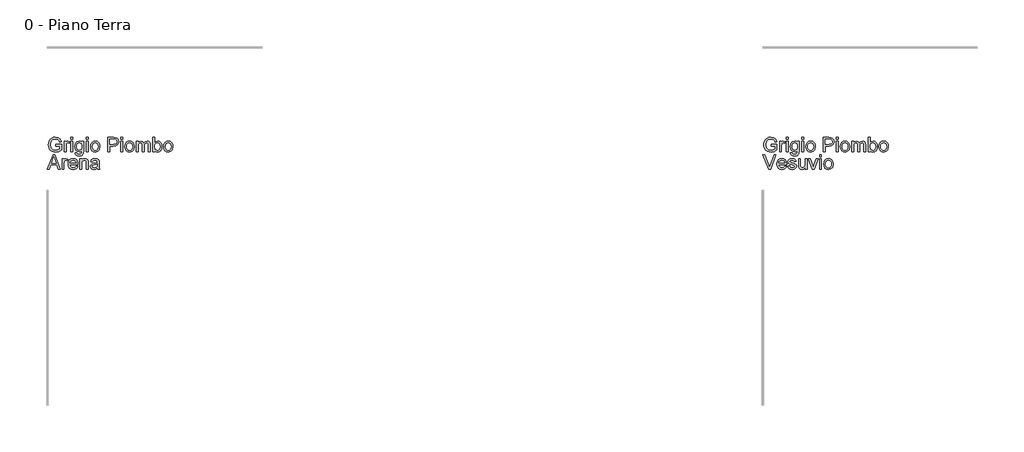
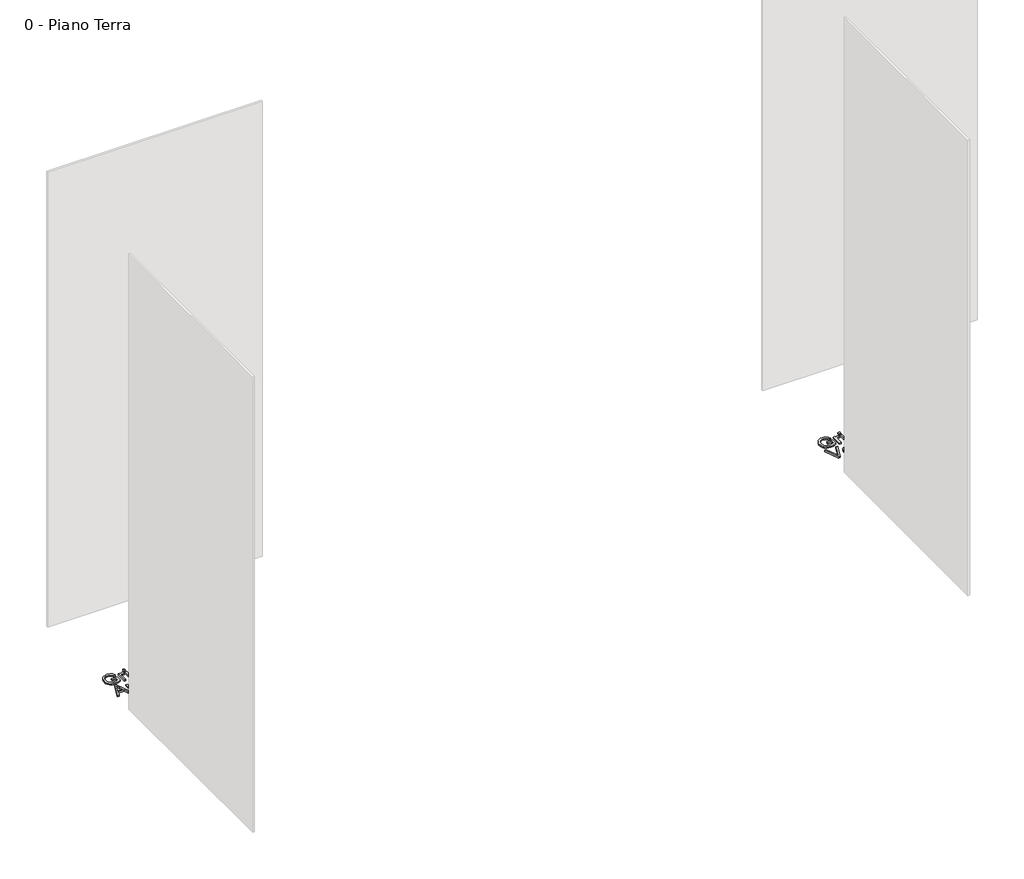
# One storey, part 8 of 35: 2 proxies.
"""IFC4 building model written with IfcOpenShell, lengths in millimetres."""

from ifc_helpers import new_model, si_unit, origin, origin_with_axes, place, context, project, spatial, polyline, outline, extrude, element, save

model = new_model("IFC4")

# Units and contexts
model_context = context("Model", 3, world=origin())
ifc_project = project(units=[si_unit("LENGTHUNIT", "METRE", prefix="MILLI")], contexts=[model_context])

# Site, building, storey
site = spatial("IfcSite", under=ifc_project)
building = spatial("IfcBuilding", under=site)
storey = spatial("IfcBuildingStorey", under=building, Name="0 - Piano Terra", Elevation=0.0)

# Proxies
placement = place(None, origin())
element("IfcBuildingElementProxy", 1, Name="Testo modello 1", ObjectType="Testo modello 1", at=placement, inside=storey, context=model_context, shape_type="SweptSolid", body=[
    extrude(outline(polyline([(-7221.1818555, -42234.518489), (-7221.1818555, -42221.9614502), (-7180.3714795, -42221.9614502), (-7180.3714795, -42259.5099392), (-7200.5191501, -42271.3557394), (-7221.8195177, -42275.328865), (-7235.9063324, -42273.7500381), (-7248.6381151, -42269.0135574), (-7259.2147225, -42261.2849698), (-7266.8360111, -42250.7298223), (-7271.4437331, -42238.0685503), (-7272.9796405, -42224.0215894), (-7271.4498645, -42209.873461), (-7266.8605366, -42196.7124826), (-7259.4017292, -42185.6729571), (-7249.2635145, -42177.8891872), (-7236.9149422, -42173.2722682), (-7222.8250618, -42171.7332952), (-7203.1801632, -42175.3017505), (-7189.4091139, -42185.2345644), (-7181.8184821, -42201.8505678), (-7193.3945022, -42205.1124549), (-7199.1211986, -42193.4996465), (-7208.9068596, -42186.8041942), (-7223.0212655, -42184.2903339), (-7239.0977087, -42187.000398), (-7250.0360667, -42194.1127832), (-7256.4985271, -42203.7880797), (-7260.4226017, -42223.5065546), (-7255.7014494, -42245.3955333), (-7241.9671883, -42258.4921324), (-7222.8250618, -42262.7718262), (-7205.6449726, -42259.5467274), (-7192.9285183, -42252.6673341), (-7192.9285183, -42234.518489), (-7221.1818555, -42234.518489)])), origin_with_axes(), (0.0, 0.0, 1.0), 10.0),
    extrude(outline(polyline([(-7161.5359214, -42273.7592352), (-7161.5359214, -42199.9866324), (-7150.5485125, -42199.9866324), (-7150.5485125, -42210.9004649), (-7142.7494142, -42200.8450237), (-7134.9012649, -42198.4170025), (-7122.2951752, -42202.2920262), (-7126.48903, -42213.5492153), (-7135.3181979, -42210.9740413), (-7142.4183204, -42213.4511134), (-7146.9432689, -42220.318244), (-7148.9788826, -42234.9844729), (-7148.9788826, -42273.7592352), (-7161.5359214, -42273.7592352)])), origin_with_axes(), (0.0, 0.0, 1.0), 10.0),
    extrude(outline(polyline([(-7114.447026, -42185.8599638), (-7114.447026, -42173.302925), (-7101.8899872, -42173.302925), (-7101.8899872, -42185.8599638), (-7114.447026, -42185.8599638)])), origin_with_axes(), (0.0, 0.0, 1.0), 10.0),
    extrude(outline(polyline([(-7114.447026, -42273.7592352), (-7114.447026, -42199.9866324), (-7101.8899872, -42199.9866324), (-7101.8899872, -42273.7592352), (-7114.447026, -42273.7592352)])), origin_with_axes(), (0.0, 0.0, 1.0), 10.0),
    extrude(outline(polyline([(-7086.1936888, -42280.0377545), (-7073.63665, -42281.6073844), (-7069.5654226, -42288.2292603), (-7057.3762658, -42291.0251635), (-7044.5249215, -42287.8613783), (-7038.3935549, -42278.9831595), (-7037.5351635, -42264.3414561), (-7046.3765942, -42271.4047904), (-7057.1555366, -42273.7592352), (-7070.1019172, -42271.0185143), (-7079.7557539, -42262.7963517), (-7085.7614274, -42250.742085), (-7087.7633186, -42236.5050518), (-7084.1703378, -42217.0440942), (-7073.7715401, -42203.2730449), (-7057.7686733, -42198.4170025), (-7046.5666665, -42201.1638548), (-7037.5351635, -42209.4044115), (-7037.5351635, -42199.9866324), (-7024.9781248, -42199.9866324), (-7024.9781248, -42263.6792685), (-7028.4116901, -42288.0698448), (-7039.2887344, -42299.4128729), (-7057.6215205, -42303.5822022), (-7069.3048395, -42302.1137399), (-7078.5049551, -42297.708353), (-7084.4063954, -42290.3537788), (-7086.1936888, -42280.0377545)]), holes=[polyline([(-7075.2062799, -42235.6466605), (-7073.8665763, -42247.1644326), (-7069.8474655, -42255.0830925), (-7063.8050037, -42259.6724204), (-7056.3952472, -42261.2021964), (-7049.0406729, -42259.6816175), (-7042.9675543, -42255.1198807), (-7038.8932612, -42247.3023883), (-7037.5351635, -42236.0145424), (-7038.9331151, -42225.1283011), (-7043.1269699, -42217.2893489), (-7049.2889933, -42212.5528682), (-7056.5914509, -42210.9740413), (-7063.7620841, -42212.5283427), (-7069.7738891, -42217.191247), (-7073.8481822, -42224.9137032), (-7075.2062799, -42235.6466605)])]), origin_with_axes(), (0.0, 0.0, 1.0), 10.0),
    extrude(outline(polyline([(-7006.1425666, -42185.8599638), (-7006.1425666, -42173.302925), (-6993.5855279, -42173.302925), (-6993.5855279, -42185.8599638), (-7006.1425666, -42185.8599638)])), origin_with_axes(), (0.0, 0.0, 1.0), 10.0),
    extrude(outline(polyline([(-7006.1425666, -42273.7592352), (-7006.1425666, -42199.9866324), (-6993.5855279, -42199.9866324), (-6993.5855279, -42273.7592352), (-7006.1425666, -42273.7592352)])), origin_with_axes(), (0.0, 0.0, 1.0), 10.0),
    extrude(outline(polyline([(-6977.8892294, -42236.8729338), (-6975.173034, -42219.0858393), (-6967.0244478, -42206.5839828), (-6956.9567439, -42200.4587476), (-6944.9024772, -42198.4170025), (-6931.710842, -42200.9032717), (-6921.1740885, -42208.3620791), (-6914.267104, -42220.2048137), (-6911.9647759, -42235.8428642), (-6916.0360033, -42258.185564), (-6927.8940663, -42270.8284419), (-6944.9024772, -42275.328865), (-6958.2535279, -42272.8517929), (-6968.7780187, -42265.4205766), (-6975.6114267, -42253.3295217), (-6977.8892294, -42236.8729338)]), holes=[polyline([(-6965.3321906, -42236.8484083), (-6963.8790567, -42248.2128963), (-6959.5196551, -42256.3093658), (-6952.9590929, -42261.1562111), (-6944.9024772, -42262.7718262), (-6936.8826497, -42261.1470141), (-6930.3343502, -42256.2725776), (-6925.9749485, -42248.0688092), (-6924.5218146, -42236.4560008), (-6925.9841456, -42225.4226067), (-6930.3711384, -42217.4365017), (-6936.9286349, -42212.5896564), (-6944.9024772, -42210.9740413), (-6952.9590929, -42212.583525), (-6959.5196551, -42217.4119762), (-6963.8790567, -42225.4900517), (-6965.3321906, -42236.8484083)])]), origin_with_axes(), (0.0, 0.0, 1.0), 10.0),
    extrude(outline(polyline([(-6857.0277312, -42273.7592352), (-6857.0277312, -42173.302925), (-6819.7980733, -42173.302925), (-6804.7884879, -42174.2594182), (-6792.5870684, -42178.956045), (-6784.6776055, -42188.6681297), (-6781.6854986, -42202.3656026), (-6783.7057839, -42214.2052715), (-6789.7666398, -42224.0706403), (-6801.1004709, -42230.7293044), (-6818.939682, -42232.9488592), (-6844.4706925, -42232.9488592), (-6844.4706925, -42273.7592352), (-6857.0277312, -42273.7592352)]), holes=[polyline([(-6844.4706925, -42220.3918204), (-6818.203918, -42220.3918204), (-6799.7117164, -42215.7810327), (-6795.6098322, -42210.232146), (-6794.2425374, -42202.807061), (-6797.4676362, -42192.4082633), (-6805.9411849, -42186.7183551), (-6818.4982236, -42185.8599638), (-6844.4706925, -42185.8599638), (-6844.4706925, -42220.3918204)])]), origin_with_axes(), (0.0, 0.0, 1.0), 10.0),
    extrude(outline(polyline([(-6765.9892002, -42185.8599638), (-6765.9892002, -42173.302925), (-6753.4321614, -42173.302925), (-6753.4321614, -42185.8599638), (-6765.9892002, -42185.8599638)])), origin_with_axes(), (0.0, 0.0, 1.0), 10.0),
    extrude(outline(polyline([(-6765.9892002, -42273.7592352), (-6765.9892002, -42199.9866324), (-6753.4321614, -42199.9866324), (-6753.4321614, -42273.7592352), (-6765.9892002, -42273.7592352)])), origin_with_axes(), (0.0, 0.0, 1.0), 10.0),
    extrude(outline(polyline([(-6737.7358629, -42236.8729338), (-6735.0196675, -42219.0858393), (-6726.8710814, -42206.5839828), (-6716.8033774, -42200.4587476), (-6704.7491107, -42198.4170025), (-6691.5574755, -42200.9032717), (-6681.020722, -42208.3620791), (-6674.1137376, -42220.2048137), (-6671.8114094, -42235.8428642), (-6675.8826368, -42258.185564), (-6687.7406998, -42270.8284419), (-6704.7491107, -42275.328865), (-6718.1001615, -42272.8517929), (-6728.6246522, -42265.4205766), (-6735.4580603, -42253.3295217), (-6737.7358629, -42236.8729338)]), holes=[polyline([(-6725.1788242, -42236.8484083), (-6723.7256903, -42248.2128963), (-6719.3662887, -42256.3093658), (-6712.8057264, -42261.1562111), (-6704.7491107, -42262.7718262), (-6696.7292832, -42261.1470141), (-6690.1809837, -42256.2725776), (-6685.8215821, -42248.0688092), (-6684.3684482, -42236.4560008), (-6685.8307791, -42225.4226067), (-6690.2177719, -42217.4365017), (-6696.7752685, -42212.5896564), (-6704.7491107, -42210.9740413), (-6712.8057264, -42212.583525), (-6719.3662887, -42217.4119762), (-6723.7256903, -42225.4900517), (-6725.1788242, -42236.8484083)])]), origin_with_axes(), (0.0, 0.0, 1.0), 10.0),
    extrude(outline(polyline([(-6657.6847408, -42273.7592352), (-6657.6847408, -42199.9866324), (-6645.127702, -42199.9866324), (-6645.127702, -42212.1267382), (-6636.4947379, -42202.1816616), (-6624.2074792, -42198.4170025), (-6611.625915, -42202.255238), (-6604.7097335, -42213.009655), (-6594.9118097, -42202.0651657), (-6582.5387119, -42198.4170025), (-6573.0994731, -42199.9345158), (-6566.1189122, -42204.4870555), (-6561.8054958, -42212.1972489), (-6560.3676903, -42223.1877235), (-6560.3676903, -42273.7592352), (-6572.9247291, -42273.7592352), (-6572.9247291, -42228.5833261), (-6574.0896888, -42218.0986893), (-6578.308069, -42212.9360786), (-6585.4817679, -42210.9740413), (-6597.8303402, -42216.0017619), (-6601.5183572, -42222.5439301), (-6602.7476962, -42232.1149933), (-6602.7476962, -42273.7592352), (-6615.304735, -42273.7592352), (-6615.304735, -42227.1853746), (-6618.2110027, -42215.0207433), (-6627.7391464, -42210.9740413), (-6637.0342981, -42213.6718426), (-6643.2147157, -42221.5690428), (-6645.127702, -42236.5541027), (-6645.127702, -42273.7592352), (-6657.6847408, -42273.7592352)])), origin_with_axes(), (0.0, 0.0, 1.0), 10.0),
    extrude(outline(polyline([(-6528.9750934, -42273.7592352), (-6541.5321322, -42273.7592352), (-6541.5321322, -42173.302925), (-6528.9750934, -42173.302925), (-6528.9750934, -42210.5571084), (-6520.1827137, -42201.452029), (-6509.2566185, -42198.4170025), (-6496.6750542, -42201.151592), (-6486.9139186, -42208.8403257), (-6480.9174421, -42220.7964906), (-6478.7469383, -42235.7692878), (-6480.9940842, -42252.532444), (-6487.7355218, -42265.0036437), (-6497.6284817, -42272.7475597), (-6509.3301949, -42275.328865), (-6520.4954134, -42271.9995329), (-6528.9750934, -42262.0115368), (-6528.9750934, -42273.7592352)]), holes=[polyline([(-6528.9750934, -42236.357899), (-6525.5415281, -42253.9181329), (-6518.9625718, -42260.5584029), (-6510.4093154, -42262.7718262), (-6503.1620401, -42261.1408827), (-6496.9693598, -42256.2480522), (-6492.7203228, -42248.1239915), (-6491.3039771, -42236.7993574), (-6492.6620748, -42225.3091764), (-6496.7363679, -42217.2770862), (-6502.7359101, -42212.5498025), (-6509.8697551, -42210.9740413), (-6517.1170304, -42212.6049848), (-6523.3097107, -42217.4978154), (-6527.5587477, -42225.4747233), (-6528.9750934, -42236.357899)])]), origin_with_axes(), (0.0, 0.0, 1.0), 10.0),
    extrude(outline(polyline([(-6467.7595294, -42236.8729338), (-6465.043334, -42219.0858393), (-6456.8947478, -42206.5839828), (-6446.8270439, -42200.4587476), (-6434.7727772, -42198.4170025), (-6421.581142, -42200.9032717), (-6411.0443885, -42208.3620791), (-6404.137404, -42220.2048137), (-6401.8350759, -42235.8428642), (-6405.9063033, -42258.185564), (-6417.7643663, -42270.8284419), (-6434.7727772, -42275.328865), (-6448.1238279, -42272.8517929), (-6458.6483187, -42265.4205766), (-6465.4817267, -42253.3295217), (-6467.7595294, -42236.8729338)]), holes=[polyline([(-6455.2024907, -42236.8484083), (-6453.7493568, -42248.2128963), (-6449.3899551, -42256.3093658), (-6442.8293929, -42261.1562111), (-6434.7727772, -42262.7718262), (-6426.7529497, -42261.1470141), (-6420.2046502, -42256.2725776), (-6415.8452485, -42248.0688092), (-6414.3921147, -42236.4560008), (-6415.8544456, -42225.4226067), (-6420.2414384, -42217.4365017), (-6426.7989349, -42212.5896564), (-6434.7727772, -42210.9740413), (-6442.8293929, -42212.583525), (-6449.3899551, -42217.4119762), (-6453.7493568, -42225.4900517), (-6455.2024907, -42236.8484083)])]), origin_with_axes(), (0.0, 0.0, 1.0), 10.0),
    extrude(outline(polyline([(-7238.5949366, -42395.734053), (-7278.5714468, -42295.2777428), (-7265.1314912, -42295.2777428), (-7238.3742074, -42367.652394), (-7232.9540794, -42383.9618292), (-7227.6075277, -42367.652394), (-7200.7766675, -42295.2777428), (-7187.336712, -42295.2777428), (-7225.620965, -42395.734053), (-7238.5949366, -42395.734053)])), origin_with_axes(), (0.0, 0.0, 1.0), 10.0),
    extrude(outline(polyline([(-7125.5815877, -42373.7592352), (-7113.2698036, -42375.328865), (-7117.7058473, -42384.6056226), (-7124.7845101, -42391.5401983), (-7134.3463763, -42395.8628117), (-7146.2320304, -42397.3036828), (-7160.9657043, -42394.8174137), (-7172.3026011, -42387.3586062), (-7179.5314823, -42375.4116384), (-7181.9411094, -42359.4608883), (-7179.5069569, -42342.9736435), (-7172.2044993, -42330.6434653), (-7161.0208866, -42322.9547316), (-7146.9432689, -42320.3918204), (-7133.3040439, -42322.9486003), (-7122.4055398, -42330.6189399), (-7115.2594321, -42342.9245926), (-7112.8773962, -42359.3873119), (-7112.9509726, -42362.7718262), (-7169.3840706, -42362.7718262), (-7167.2105012, -42372.1712112), (-7162.1613208, -42379.0812613), (-7154.8741916, -42383.3302984), (-7145.9867757, -42384.7466441), (-7133.6749916, -42382.1224192), (-7125.5815877, -42373.7592352)]), holes=[polyline([(-7169.3840706, -42350.2147875), (-7125.4344349, -42350.2147875), (-7130.4621555, -42338.8349711), (-7137.7830072, -42334.4203871), (-7146.9923198, -42332.9488592), (-7162.4556264, -42337.645486), (-7167.3208658, -42343.1361247), (-7169.3840706, -42350.2147875)])]), origin_with_axes(), (0.0, 0.0, 1.0), 10.0),
    extrude(outline(polyline([(-7105.0292469, -42373.7592352), (-7092.4722082, -42372.1896053), (-7086.6596726, -42381.5092825), (-7073.3423444, -42384.7466441), (-7060.540051, -42381.7790626), (-7056.3707217, -42374.8138302), (-7060.5645764, -42369.1729729), (-7073.4894972, -42365.5922549), (-7092.3986318, -42359.4486255), (-7100.6514512, -42352.2749266), (-7103.4596171, -42342.145909), (-7101.2032742, -42332.7894436), (-7095.0473821, -42325.6402702), (-7087.0643428, -42321.924662), (-7076.2608749, -42320.3918204), (-7060.9815094, -42322.8566298), (-7051.2694247, -42329.5275566), (-7046.9529426, -42340.7970084), (-7059.5099814, -42342.3666382), (-7064.2311337, -42335.438194), (-7075.2798563, -42332.9488592), (-7087.2973348, -42335.3278294), (-7090.9025783, -42340.8705848), (-7089.4065249, -42344.5248793), (-7084.7221608, -42347.296257), (-7073.9064301, -42349.9695328), (-7055.4755422, -42355.8801702), (-7046.9161544, -42362.5756225), (-7043.8136829, -42373.489455), (-7047.4557147, -42385.5069335), (-7057.964877, -42394.2257368), (-7073.5140227, -42397.3036828), (-7086.1752947, -42395.8198921), (-7095.4152641, -42391.36852), (-7101.5834189, -42383.9986174), (-7105.0292469, -42373.7592352)])), origin_with_axes(), (0.0, 0.0, 1.0), 10.0),
    extrude(outline(polyline([(-6982.5981189, -42395.734053), (-6982.5981189, -42383.0543869), (-6992.4328309, -42393.7413589), (-7005.2596498, -42397.3036828), (-7017.0686619, -42394.8020853), (-7025.2111167, -42388.5235659), (-7028.9512503, -42379.2774651), (-7029.6870143, -42367.6033431), (-7029.6870143, -42321.9614502), (-7017.1299756, -42321.9614502), (-7017.1299756, -42361.6927057), (-7016.3696861, -42374.4949991), (-7011.4032792, -42382.0120546), (-7002.0468137, -42384.7466441), (-6991.5621769, -42381.9507409), (-6984.6337326, -42374.3355836), (-6982.5981189, -42360.3438051), (-6982.5981189, -42321.9614502), (-6970.0410802, -42321.9614502), (-6970.0410802, -42395.734053), (-6982.5981189, -42395.734053)])), origin_with_axes(), (0.0, 0.0, 1.0), 10.0),
    extrude(outline(polyline([(-6934.6753577, -42395.734053), (-6960.6233011, -42321.9614502), (-6947.3304983, -42321.9614502), (-6931.6096744, -42366.1563406), (-6926.8762594, -42381.0187732), (-6922.2409463, -42366.9902064), (-6906.4220205, -42321.9614502), (-6893.1292177, -42321.9614502), (-6918.75833, -42395.734053), (-6934.6753577, -42395.734053)])), origin_with_axes(), (0.0, 0.0, 1.0), 10.0),
    extrude(outline(polyline([(-6882.1418088, -42307.8347816), (-6882.1418088, -42295.2777428), (-6869.58477, -42295.2777428), (-6869.58477, -42307.8347816), (-6882.1418088, -42307.8347816)])), origin_with_axes(), (0.0, 0.0, 1.0), 10.0),
    extrude(outline(polyline([(-6882.1418088, -42395.734053), (-6882.1418088, -42321.9614502), (-6869.58477, -42321.9614502), (-6869.58477, -42395.734053), (-6882.1418088, -42395.734053)])), origin_with_axes(), (0.0, 0.0, 1.0), 10.0),
    extrude(outline(polyline([(-6853.8884716, -42358.8477516), (-6851.1722762, -42341.0606571), (-6843.02369, -42328.5588007), (-6832.955986, -42322.4335655), (-6820.9017193, -42320.3918204), (-6807.7100841, -42322.8780895), (-6797.1733306, -42330.336897), (-6790.2663462, -42342.1796315), (-6787.964018, -42357.817682), (-6792.0352454, -42380.1603819), (-6803.8933084, -42392.8032598), (-6820.9017193, -42397.3036828), (-6834.2527701, -42394.8266107), (-6844.7772608, -42387.3953944), (-6851.6106689, -42375.3043395), (-6853.8884716, -42358.8477516)]), holes=[polyline([(-6841.3314328, -42358.8232261), (-6839.8782989, -42370.1877141), (-6835.5188973, -42378.2841837), (-6828.958335, -42383.131029), (-6820.9017193, -42384.7466441), (-6812.8818918, -42383.1218319), (-6806.3335923, -42378.2473955), (-6801.9741907, -42370.043627), (-6800.5210568, -42358.4308187), (-6801.9833877, -42347.3974245), (-6806.3703805, -42339.4113195), (-6812.9278771, -42334.5644742), (-6820.9017193, -42332.9488592), (-6828.958335, -42334.5583429), (-6835.5188973, -42339.3867941), (-6839.8782989, -42347.4648695), (-6841.3314328, -42358.8232261)])]), origin_with_axes(), (0.0, 0.0, 1.0), 10.0),
])
element("IfcBuildingElementProxy", 2, Name="Testo modello 1", ObjectType="Testo modello 1", at=placement, inside=storey, context=model_context, shape_type="SweptSolid", body=[
    extrude(outline(polyline([(-12221.1818555, -42234.518489), (-12221.1818555, -42221.9614502), (-12180.3714795, -42221.9614502), (-12180.3714795, -42259.5099392), (-12200.5191501, -42271.3557394), (-12221.8195177, -42275.328865), (-12235.9063324, -42273.7500381), (-12248.6381151, -42269.0135574), (-12259.2147225, -42261.2849698), (-12266.8360111, -42250.7298223), (-12271.4437331, -42238.0685503), (-12272.9796405, -42224.0215894), (-12271.4498645, -42209.873461), (-12266.8605366, -42196.7124826), (-12259.4017292, -42185.6729571), (-12249.2635145, -42177.8891872), (-12236.9149422, -42173.2722682), (-12222.8250618, -42171.7332952), (-12203.1801632, -42175.3017505), (-12189.4091139, -42185.2345644), (-12181.8184821, -42201.8505678), (-12193.3945022, -42205.1124549), (-12199.1211986, -42193.4996465), (-12208.9068596, -42186.8041942), (-12223.0212655, -42184.2903339), (-12239.0977087, -42187.000398), (-12250.0360667, -42194.1127832), (-12256.4985271, -42203.7880797), (-12260.4226017, -42223.5065546), (-12255.7014494, -42245.3955333), (-12241.9671883, -42258.4921324), (-12222.8250618, -42262.7718262), (-12205.6449726, -42259.5467274), (-12192.9285183, -42252.6673341), (-12192.9285183, -42234.518489), (-12221.1818555, -42234.518489)])), origin_with_axes(), (0.0, 0.0, 1.0), 10.0),
    extrude(outline(polyline([(-12161.5359214, -42273.7592352), (-12161.5359214, -42199.9866324), (-12150.5485125, -42199.9866324), (-12150.5485125, -42210.9004649), (-12142.7494142, -42200.8450237), (-12134.9012649, -42198.4170025), (-12122.2951752, -42202.2920262), (-12126.48903, -42213.5492153), (-12135.3181979, -42210.9740413), (-12142.4183204, -42213.4511134), (-12146.9432689, -42220.318244), (-12148.9788826, -42234.9844729), (-12148.9788826, -42273.7592352), (-12161.5359214, -42273.7592352)])), origin_with_axes(), (0.0, 0.0, 1.0), 10.0),
    extrude(outline(polyline([(-12114.447026, -42185.8599638), (-12114.447026, -42173.302925), (-12101.8899872, -42173.302925), (-12101.8899872, -42185.8599638), (-12114.447026, -42185.8599638)])), origin_with_axes(), (0.0, 0.0, 1.0), 10.0),
    extrude(outline(polyline([(-12114.447026, -42273.7592352), (-12114.447026, -42199.9866324), (-12101.8899872, -42199.9866324), (-12101.8899872, -42273.7592352), (-12114.447026, -42273.7592352)])), origin_with_axes(), (0.0, 0.0, 1.0), 10.0),
    extrude(outline(polyline([(-12086.1936888, -42280.0377545), (-12073.63665, -42281.6073844), (-12069.5654226, -42288.2292603), (-12057.3762658, -42291.0251635), (-12044.5249215, -42287.8613783), (-12038.3935549, -42278.9831595), (-12037.5351635, -42264.3414561), (-12046.3765942, -42271.4047904), (-12057.1555366, -42273.7592352), (-12070.1019172, -42271.0185143), (-12079.7557539, -42262.7963517), (-12085.7614274, -42250.742085), (-12087.7633186, -42236.5050518), (-12084.1703378, -42217.0440942), (-12073.7715401, -42203.2730449), (-12057.7686733, -42198.4170025), (-12046.5666665, -42201.1638548), (-12037.5351635, -42209.4044115), (-12037.5351635, -42199.9866324), (-12024.9781248, -42199.9866324), (-12024.9781248, -42263.6792685), (-12028.4116901, -42288.0698448), (-12039.2887344, -42299.4128729), (-12057.6215205, -42303.5822022), (-12069.3048395, -42302.1137399), (-12078.5049551, -42297.708353), (-12084.4063954, -42290.3537788), (-12086.1936888, -42280.0377545)]), holes=[polyline([(-12075.2062799, -42235.6466605), (-12073.8665763, -42247.1644326), (-12069.8474655, -42255.0830925), (-12063.8050037, -42259.6724204), (-12056.3952472, -42261.2021964), (-12049.0406729, -42259.6816175), (-12042.9675543, -42255.1198807), (-12038.8932612, -42247.3023883), (-12037.5351635, -42236.0145424), (-12038.9331151, -42225.1283011), (-12043.1269699, -42217.2893489), (-12049.2889933, -42212.5528682), (-12056.5914509, -42210.9740413), (-12063.7620841, -42212.5283427), (-12069.7738891, -42217.191247), (-12073.8481822, -42224.9137032), (-12075.2062799, -42235.6466605)])]), origin_with_axes(), (0.0, 0.0, 1.0), 10.0),
    extrude(outline(polyline([(-12006.1425666, -42185.8599638), (-12006.1425666, -42173.302925), (-11993.5855279, -42173.302925), (-11993.5855279, -42185.8599638), (-12006.1425666, -42185.8599638)])), origin_with_axes(), (0.0, 0.0, 1.0), 10.0),
    extrude(outline(polyline([(-12006.1425666, -42273.7592352), (-12006.1425666, -42199.9866324), (-11993.5855279, -42199.9866324), (-11993.5855279, -42273.7592352), (-12006.1425666, -42273.7592352)])), origin_with_axes(), (0.0, 0.0, 1.0), 10.0),
    extrude(outline(polyline([(-11977.8892294, -42236.8729338), (-11975.173034, -42219.0858393), (-11967.0244478, -42206.5839828), (-11956.9567439, -42200.4587476), (-11944.9024772, -42198.4170025), (-11931.710842, -42200.9032717), (-11921.1740885, -42208.3620791), (-11914.267104, -42220.2048137), (-11911.9647759, -42235.8428642), (-11916.0360033, -42258.185564), (-11927.8940663, -42270.8284419), (-11944.9024772, -42275.328865), (-11958.2535279, -42272.8517929), (-11968.7780187, -42265.4205766), (-11975.6114267, -42253.3295217), (-11977.8892294, -42236.8729338)]), holes=[polyline([(-11965.3321906, -42236.8484083), (-11963.8790567, -42248.2128963), (-11959.5196551, -42256.3093658), (-11952.9590929, -42261.1562111), (-11944.9024772, -42262.7718262), (-11936.8826497, -42261.1470141), (-11930.3343502, -42256.2725776), (-11925.9749485, -42248.0688092), (-11924.5218146, -42236.4560008), (-11925.9841456, -42225.4226067), (-11930.3711384, -42217.4365017), (-11936.9286349, -42212.5896564), (-11944.9024772, -42210.9740413), (-11952.9590929, -42212.583525), (-11959.5196551, -42217.4119762), (-11963.8790567, -42225.4900517), (-11965.3321906, -42236.8484083)])]), origin_with_axes(), (0.0, 0.0, 1.0), 10.0),
    extrude(outline(polyline([(-11857.0277312, -42273.7592352), (-11857.0277312, -42173.302925), (-11819.7980733, -42173.302925), (-11804.7884879, -42174.2594182), (-11792.5870684, -42178.956045), (-11784.6776055, -42188.6681297), (-11781.6854986, -42202.3656026), (-11783.7057839, -42214.2052715), (-11789.7666398, -42224.0706403), (-11801.1004709, -42230.7293044), (-11818.939682, -42232.9488592), (-11844.4706925, -42232.9488592), (-11844.4706925, -42273.7592352), (-11857.0277312, -42273.7592352)]), holes=[polyline([(-11844.4706925, -42220.3918204), (-11818.203918, -42220.3918204), (-11799.7117164, -42215.7810327), (-11795.6098322, -42210.232146), (-11794.2425374, -42202.807061), (-11797.4676362, -42192.4082633), (-11805.9411849, -42186.7183551), (-11818.4982236, -42185.8599638), (-11844.4706925, -42185.8599638), (-11844.4706925, -42220.3918204)])]), origin_with_axes(), (0.0, 0.0, 1.0), 10.0),
    extrude(outline(polyline([(-11765.9892002, -42185.8599638), (-11765.9892002, -42173.302925), (-11753.4321614, -42173.302925), (-11753.4321614, -42185.8599638), (-11765.9892002, -42185.8599638)])), origin_with_axes(), (0.0, 0.0, 1.0), 10.0),
    extrude(outline(polyline([(-11765.9892002, -42273.7592352), (-11765.9892002, -42199.9866324), (-11753.4321614, -42199.9866324), (-11753.4321614, -42273.7592352), (-11765.9892002, -42273.7592352)])), origin_with_axes(), (0.0, 0.0, 1.0), 10.0),
    extrude(outline(polyline([(-11737.7358629, -42236.8729338), (-11735.0196675, -42219.0858393), (-11726.8710814, -42206.5839828), (-11716.8033774, -42200.4587476), (-11704.7491107, -42198.4170025), (-11691.5574755, -42200.9032717), (-11681.020722, -42208.3620791), (-11674.1137376, -42220.2048137), (-11671.8114094, -42235.8428642), (-11675.8826368, -42258.185564), (-11687.7406998, -42270.8284419), (-11704.7491107, -42275.328865), (-11718.1001615, -42272.8517929), (-11728.6246522, -42265.4205766), (-11735.4580603, -42253.3295217), (-11737.7358629, -42236.8729338)]), holes=[polyline([(-11725.1788242, -42236.8484083), (-11723.7256903, -42248.2128963), (-11719.3662887, -42256.3093658), (-11712.8057264, -42261.1562111), (-11704.7491107, -42262.7718262), (-11696.7292832, -42261.1470141), (-11690.1809837, -42256.2725776), (-11685.8215821, -42248.0688092), (-11684.3684482, -42236.4560008), (-11685.8307791, -42225.4226067), (-11690.2177719, -42217.4365017), (-11696.7752685, -42212.5896564), (-11704.7491107, -42210.9740413), (-11712.8057264, -42212.583525), (-11719.3662887, -42217.4119762), (-11723.7256903, -42225.4900517), (-11725.1788242, -42236.8484083)])]), origin_with_axes(), (0.0, 0.0, 1.0), 10.0),
    extrude(outline(polyline([(-11657.6847408, -42273.7592352), (-11657.6847408, -42199.9866324), (-11645.127702, -42199.9866324), (-11645.127702, -42212.1267382), (-11636.4947379, -42202.1816616), (-11624.2074792, -42198.4170025), (-11611.625915, -42202.255238), (-11604.7097335, -42213.009655), (-11594.9118097, -42202.0651657), (-11582.5387119, -42198.4170025), (-11573.0994731, -42199.9345158), (-11566.1189122, -42204.4870555), (-11561.8054958, -42212.1972489), (-11560.3676903, -42223.1877235), (-11560.3676903, -42273.7592352), (-11572.9247291, -42273.7592352), (-11572.9247291, -42228.5833261), (-11574.0896888, -42218.0986893), (-11578.308069, -42212.9360786), (-11585.4817679, -42210.9740413), (-11597.8303402, -42216.0017619), (-11601.5183572, -42222.5439301), (-11602.7476962, -42232.1149933), (-11602.7476962, -42273.7592352), (-11615.304735, -42273.7592352), (-11615.304735, -42227.1853746), (-11618.2110027, -42215.0207433), (-11627.7391464, -42210.9740413), (-11637.0342981, -42213.6718426), (-11643.2147157, -42221.5690428), (-11645.127702, -42236.5541027), (-11645.127702, -42273.7592352), (-11657.6847408, -42273.7592352)])), origin_with_axes(), (0.0, 0.0, 1.0), 10.0),
    extrude(outline(polyline([(-11528.9750934, -42273.7592352), (-11541.5321322, -42273.7592352), (-11541.5321322, -42173.302925), (-11528.9750934, -42173.302925), (-11528.9750934, -42210.5571084), (-11520.1827137, -42201.452029), (-11509.2566185, -42198.4170025), (-11496.6750542, -42201.151592), (-11486.9139186, -42208.8403257), (-11480.9174421, -42220.7964906), (-11478.7469383, -42235.7692878), (-11480.9940842, -42252.532444), (-11487.7355218, -42265.0036437), (-11497.6284817, -42272.7475597), (-11509.3301949, -42275.328865), (-11520.4954134, -42271.9995329), (-11528.9750934, -42262.0115368), (-11528.9750934, -42273.7592352)]), holes=[polyline([(-11528.9750934, -42236.357899), (-11525.5415281, -42253.9181329), (-11518.9625718, -42260.5584029), (-11510.4093154, -42262.7718262), (-11503.1620401, -42261.1408827), (-11496.9693598, -42256.2480522), (-11492.7203228, -42248.1239915), (-11491.3039771, -42236.7993574), (-11492.6620748, -42225.3091764), (-11496.7363679, -42217.2770862), (-11502.7359101, -42212.5498025), (-11509.8697551, -42210.9740413), (-11517.1170304, -42212.6049848), (-11523.3097107, -42217.4978154), (-11527.5587477, -42225.4747233), (-11528.9750934, -42236.357899)])]), origin_with_axes(), (0.0, 0.0, 1.0), 10.0),
    extrude(outline(polyline([(-11467.7595294, -42236.8729338), (-11465.043334, -42219.0858393), (-11456.8947478, -42206.5839828), (-11446.8270439, -42200.4587476), (-11434.7727772, -42198.4170025), (-11421.581142, -42200.9032717), (-11411.0443885, -42208.3620791), (-11404.137404, -42220.2048137), (-11401.8350759, -42235.8428642), (-11405.9063033, -42258.185564), (-11417.7643663, -42270.8284419), (-11434.7727772, -42275.328865), (-11448.1238279, -42272.8517929), (-11458.6483187, -42265.4205766), (-11465.4817267, -42253.3295217), (-11467.7595294, -42236.8729338)]), holes=[polyline([(-11455.2024907, -42236.8484083), (-11453.7493568, -42248.2128963), (-11449.3899551, -42256.3093658), (-11442.8293929, -42261.1562111), (-11434.7727772, -42262.7718262), (-11426.7529497, -42261.1470141), (-11420.2046502, -42256.2725776), (-11415.8452485, -42248.0688092), (-11414.3921147, -42236.4560008), (-11415.8544456, -42225.4226067), (-11420.2414384, -42217.4365017), (-11426.7989349, -42212.5896564), (-11434.7727772, -42210.9740413), (-11442.8293929, -42212.583525), (-11449.3899551, -42217.4119762), (-11453.7493568, -42225.4900517), (-11455.2024907, -42236.8484083)])]), origin_with_axes(), (0.0, 0.0, 1.0), 10.0),
    extrude(outline(polyline([(-12279.9693984, -42395.734053), (-12239.8702609, -42295.2777428), (-12229.1771576, -42295.2777428), (-12189.0780201, -42395.734053), (-12202.3462974, -42395.734053), (-12213.8487411, -42364.3414561), (-12255.2232028, -42364.3414561), (-12266.7011211, -42395.734053), (-12279.9693984, -42395.734053)]), holes=[polyline([(-12250.6124152, -42351.7844173), (-12218.4350033, -42351.7844173), (-12227.4849004, -42327.0872727), (-12234.5237092, -42307.8347816), (-12240.7777032, -42324.9290317), (-12250.6124152, -42351.7844173)])]), origin_with_axes(), (0.0, 0.0, 1.0), 10.0),
    extrude(outline(polyline([(-12177.2322199, -42395.734053), (-12177.2322199, -42321.9614502), (-12166.2448109, -42321.9614502), (-12166.2448109, -42332.8752828), (-12158.4457126, -42322.8198416), (-12150.5975634, -42320.3918204), (-12137.9914737, -42324.2668441), (-12142.1853284, -42335.5240331), (-12151.0144963, -42332.9488592), (-12158.1146188, -42335.4259313), (-12162.6395674, -42342.2930618), (-12164.6751811, -42356.9592907), (-12164.6751811, -42395.734053), (-12177.2322199, -42395.734053)])), origin_with_axes(), (0.0, 0.0, 1.0), 10.0),
    extrude(outline(polyline([(-12078.4926923, -42373.7592352), (-12066.1809082, -42375.328865), (-12070.616952, -42384.6056226), (-12077.6956147, -42391.5401983), (-12087.2574809, -42395.8628117), (-12099.143135, -42397.3036828), (-12113.8768089, -42394.8174137), (-12125.2137057, -42387.3586062), (-12132.4425869, -42375.4116384), (-12134.852214, -42359.4608883), (-12132.4180615, -42342.9736435), (-12125.1156039, -42330.6434653), (-12113.9319912, -42322.9547316), (-12099.8543735, -42320.3918204), (-12086.2151486, -42322.9486003), (-12075.3166445, -42330.6189399), (-12068.1705367, -42342.9245926), (-12065.7885008, -42359.3873119), (-12065.8620772, -42362.7718262), (-12122.2951752, -42362.7718262), (-12120.1216058, -42372.1712112), (-12115.0724254, -42379.0812613), (-12107.7852962, -42383.3302984), (-12098.8978803, -42384.7466441), (-12086.5860962, -42382.1224192), (-12078.4926923, -42373.7592352)]), holes=[polyline([(-12122.2951752, -42350.2147875), (-12078.3455395, -42350.2147875), (-12083.3732601, -42338.8349711), (-12090.6941119, -42334.4203871), (-12099.9034245, -42332.9488592), (-12115.366731, -42337.645486), (-12120.2319704, -42343.1361247), (-12122.2951752, -42350.2147875)])]), origin_with_axes(), (0.0, 0.0, 1.0), 10.0),
    extrude(outline(polyline([(-12053.231462, -42395.734053), (-12053.231462, -42321.9614502), (-12040.6744232, -42321.9614502), (-12040.6744232, -42332.2621461), (-12031.0727032, -42323.3594018), (-12017.9638414, -42320.3918204), (-12006.1057784, -42322.7830534), (-11998.0123745, -42329.0615727), (-11994.2477155, -42338.2954108), (-11993.5855279, -42350.4355167), (-11993.5855279, -42395.734053), (-12006.1425666, -42395.734053), (-12006.1425666, -42352.1277738), (-12007.5895691, -42341.0177376), (-12012.7031289, -42335.1438884), (-12021.3238303, -42332.9488592), (-12034.9477269, -42337.8784779), (-12039.2427491, -42345.02152), (-12040.6744232, -42356.5914087), (-12040.6744232, -42395.734053), (-12053.231462, -42395.734053)])), origin_with_axes(), (0.0, 0.0, 1.0), 10.0),
    extrude(outline(polyline([(-11929.2307042, -42386.3162739), (-11941.4075982, -42394.8266107), (-11954.8598165, -42397.3036828), (-11965.3536504, -42395.8137608), (-11973.0945007, -42391.3439945), (-11977.8677696, -42384.5565717), (-11979.4588592, -42376.1136799), (-11977.0553635, -42366.1808661), (-11970.740056, -42358.9703789), (-11961.9476763, -42354.8501006), (-11951.0828947, -42352.9616397), (-11929.3042806, -42348.6451576), (-11929.2307042, -42345.8492545), (-11932.6887949, -42336.5786282), (-11946.5702089, -42332.9488592), (-11959.2744004, -42335.3646176), (-11965.3321906, -42343.9362681), (-11977.8892294, -42342.3666382), (-11972.4568386, -42330.1039051), (-11961.5184806, -42322.9179434), (-11944.9515281, -42320.3918204), (-11929.7334762, -42322.6236378), (-11921.1373003, -42328.2277069), (-11917.2868021, -42336.7503064), (-11916.6736654, -42347.7377154), (-11916.6736654, -42363.3604374), (-11916.0360033, -42385.1758397), (-11913.5344057, -42395.734053), (-11926.0914445, -42395.734053), (-11929.2307042, -42386.3162739)]), holes=[polyline([(-11929.2307042, -42361.2021964), (-11949.4887394, -42365.0526946), (-11960.2922073, -42367.0883083), (-11965.1850378, -42370.3992463), (-11966.9018205, -42375.2307631), (-11963.1616869, -42382.0243173), (-11952.1865407, -42384.7466441), (-11939.4823491, -42381.7422744), (-11931.2908433, -42374.4704737), (-11929.3042806, -42364.758389), (-11929.2307042, -42361.2021964)])]), origin_with_axes(), (0.0, 0.0, 1.0), 10.0),
])

save(model, "model.ifc")
